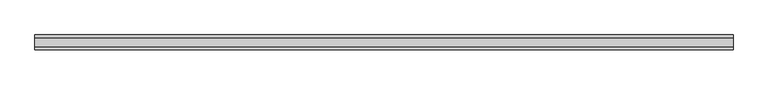
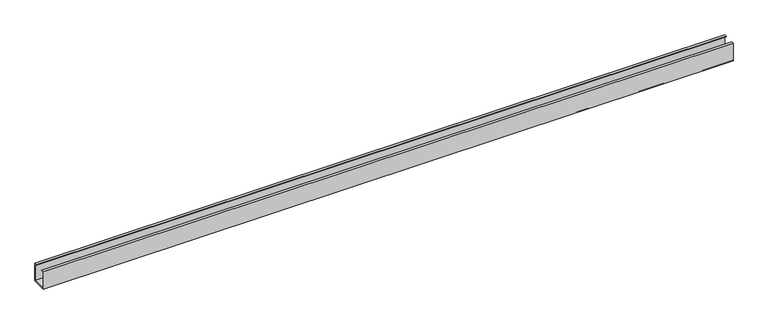
"""IFC4 building model written with IfcOpenShell, lengths in millimetres: proxy geometry."""

from ifc_helpers import new_model, si_unit, frame, origin, place, context, project, spatial, polyline, outline, extrude, source, transform, mapped, element, save


def generic_models_d8f9ee04(model_context):
    return source(origin(), model_context, "Body", "SweptSolid", [
        extrude(outline(polyline([(0.0, 0.0), (0.0, -37.0), (-30.0, -37.0), (-30.0, 0.0), (-24.5, 0.0), (-24.5, -0.8), (-29.2, -0.8), (-29.2, -36.2), (-0.8, -36.2), (-0.8, -0.8), (-5.5, -0.8), (-5.5, 0.0), (0.0, 0.0)])), frame((0.0, 0.0, 0.0), z_axis=(1.0, 0.0, 0.0), x_axis=(0.0, 1.0, 0.0)), (0.0, 0.0, 1.0), 1400.0),
    ])


if __name__ == "__main__":
    model = new_model("IFC4")
    model_context = context("Model", 3, world=origin())
    ifc_project = project(units=[si_unit("LENGTHUNIT", "METRE", prefix="MILLI")], contexts=[model_context])
    site = spatial("IfcSite", under=ifc_project)
    building = spatial("IfcBuilding", under=site)
    placement = place(None, origin())
    generic_models_shape = generic_models_d8f9ee04(model_context)
    element("IfcBuildingElementProxy", 1, Name="Generic Models", at=placement, inside=building, context=model_context, shape_type="MappedRepresentation", body=[
        mapped(generic_models_shape, transform((0.0, 0.0, 0.0), x_axis=(1.0, 0.0, 0.0), y_axis=(0.0, 1.0, 0.0), z_axis=(0.0, 0.0, 1.0))),
    ])
    save(model, "model.ifc")
